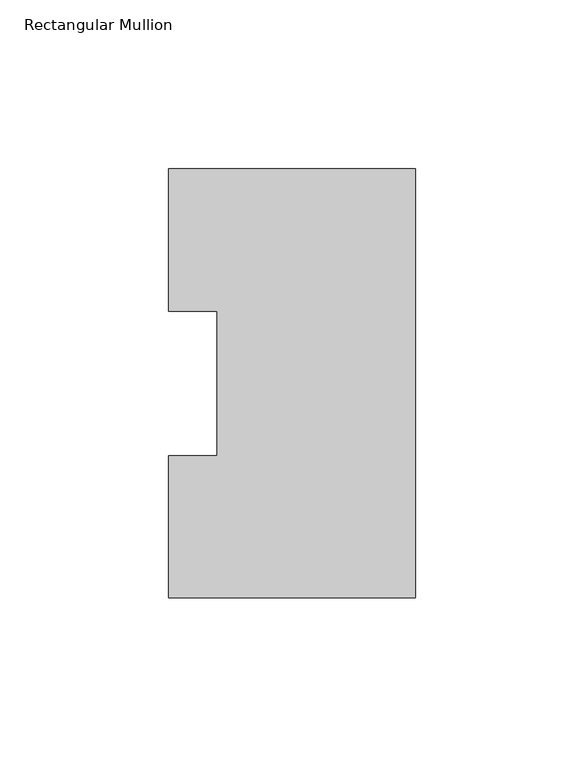
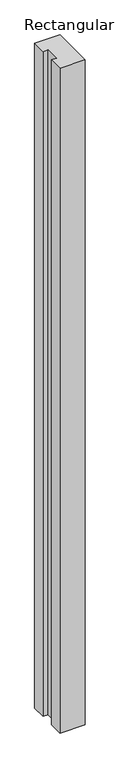
"""IFC4 building model written with IfcOpenShell, lengths in millimetres: member geometry, Rectangular Mullion."""

from ifc_helpers import new_model, si_unit, frame, origin, place, context, project, spatial, polyline, outline, extrude, source, transform, mapped, element, save


def rectangular_mullion_2defbc58(model_context):
    return source(origin(), model_context, "Body", "SweptSolid", [
        extrude(outline(polyline([(-73.025, 127.00635), (0.0, 127.00635), (0.0, 0.00635), (-73.025, 0.00635), (-73.025, 42.08145), (-58.7375, 42.08145), (-58.7375, 84.93125), (-73.025, 84.93125), (-73.025, 127.00635)])), frame((0.0, 0.0, -2044.7177772), z_axis=(0.0, 0.0, 1.0), x_axis=(1.0, 0.0, 0.0)), (0.0, 0.0, 1.0), 2044.7177772),
    ])


if __name__ == "__main__":
    model = new_model("IFC4")
    model_context = context("Model", 3, world=origin())
    ifc_project = project(units=[si_unit("LENGTHUNIT", "METRE", prefix="MILLI")], contexts=[model_context])
    site = spatial("IfcSite", under=ifc_project)
    building = spatial("IfcBuilding", under=site)
    placement = place(None, origin())
    rectangular_mullion_shape = rectangular_mullion_2defbc58(model_context)
    element("IfcMember", 1, ObjectType="Rectangular Mullion", at=placement, inside=building, context=model_context, shape_type="MappedRepresentation", body=[
        mapped(rectangular_mullion_shape, transform((0.0, 0.0, 0.0), x_axis=(1.0, 0.0, 0.0), y_axis=(0.0, 1.0, 0.0), z_axis=(0.0, 0.0, 1.0))),
    ])
    save(model, "model.ifc")
